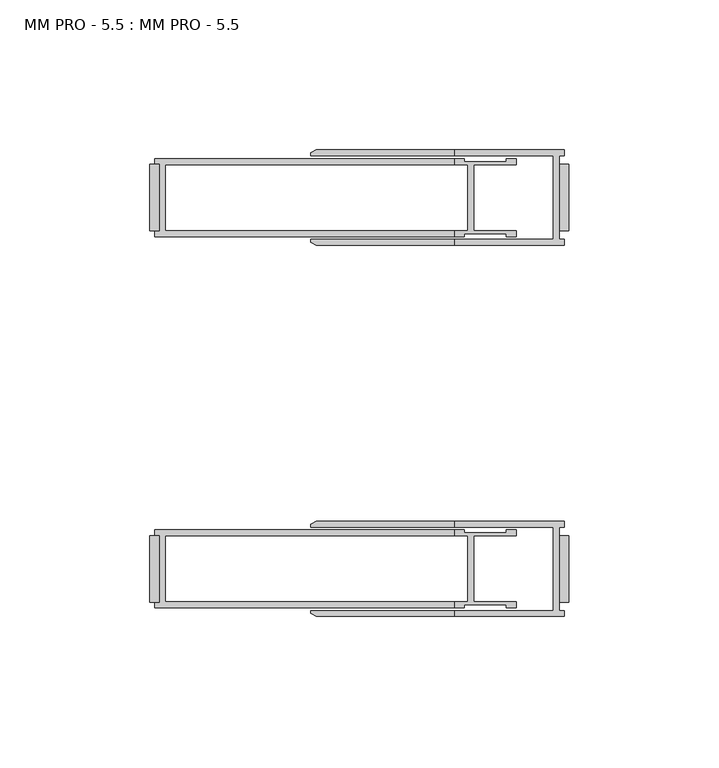
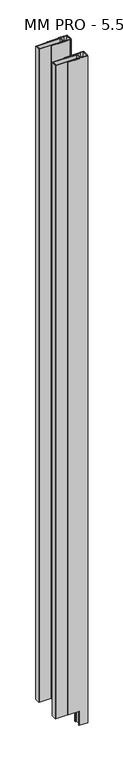
"""IFC4 building model written with IfcOpenShell, lengths in millimetres: proxy geometry, MM PRO - 5.5 : MM PRO - 5.5."""

from ifc_helpers import new_model, si_unit, frame, origin, origin_with_axes, place, context, project, spatial, polyline, outline, extrude, faceted_brep, source, transform, mapped, element, save


def mm_pro_5_5_mm_pro_5_5_e2575cb1(model_context):
    return source(origin(), model_context, "Body", "SolidModel", [
        faceted_brep([(-5.159375, 75.803125, 3048.0), (-5.159375, 48.021875, 3048.0), (-38.1, 48.021875, 3048.0), (-38.1, 46.0375, 3048.0), (-1.5875, 46.0375, 3048.0), (-1.5875, 48.021875, 3048.0), (-3.175, 48.021875, 3048.0), (-3.175, 75.803125, 3048.0), (-1.5875, 75.803125, 3048.0), (-1.5875, 77.7875, 3048.0), (-38.1, 77.7875, 3048.0), (-38.1, 75.803125, 3048.0), (-1.5875, 77.7875, 0.0), (-1.5875, 75.803125, 0.0), (-3.175, 75.803125, 0.0), (-3.175, 48.021875, 0.0), (-1.5875, 48.021875, 0.0), (-1.5875, 46.0375, 0.0), (-38.1, 46.0375, 0.0), (-38.1, 48.021875, 0.0), (-5.159375, 48.021875, 0.0), (-5.159375, 75.803125, 0.0), (-38.1, 75.803125, 0.0), (-38.1, 77.7875, 0.0), (-84.3041371, 77.7875, 63.5), (-86.0226562, 76.7953125, 63.5), (-86.0226562, 76.7953125, 3047.20625), (-84.3041371, 77.7875, 3047.20625), (-86.0226562, 75.803125, 63.5), (-86.0226562, 75.803125, 3047.20625), (-38.1, 75.803125, 3047.20625), (-38.1, 75.803125, 63.5), (-38.1, 48.021875, 63.5), (-86.0226562, 48.021875, 63.5), (-86.0226562, 48.021875, 3047.20625), (-38.1, 48.021875, 3047.20625), (-86.0226562, 47.0296875, 63.5), (-86.0226562, 47.0296875, 3047.20625), (-84.3041371, 46.0375, 63.5), (-84.3041371, 46.0375, 3047.20625), (-38.1, 46.0375, 3047.20625), (-38.1, 46.0375, 63.5), (-38.1, 77.7875, 63.5), (-38.1, 77.7875, 3047.20625)], [[[0, 1, 2, 3, 4, 5, 6, 7, 8, 9, 10, 11]], [[12, 13, 14, 15, 16, 17, 18, 19, 20, 21, 22, 23]], [[24, 25, 26, 27]], [[25, 28, 29, 26]], [[21, 0, 11, 30, 29, 28, 31, 22]], [[1, 0, 21, 20]], [[1, 20, 19, 32, 33, 34, 35, 2]], [[33, 36, 37, 34]], [[36, 38, 39, 37]], [[17, 4, 3, 40, 39, 38, 41, 18]], [[5, 4, 17, 16]], [[6, 5, 16, 15]], [[7, 6, 15, 14]], [[8, 7, 14, 13]], [[9, 8, 13, 12]], [[9, 12, 23, 42, 24, 27, 43, 10]], [[41, 32, 19, 18]], [[31, 42, 23, 22]], [[32, 41, 38, 36, 33]], [[42, 31, 28, 25, 24]], [[40, 35, 34, 37, 39]], [[30, 43, 27, 26, 29]], [[35, 40, 3, 2]], [[43, 30, 11, 10]]]),
        faceted_brep([(-5.159375, -48.021875, 3048.0), (-5.159375, -75.803125, 3048.0), (-38.1, -75.803125, 3048.0), (-38.1, -77.7875, 3048.0), (-1.5875, -77.7875, 3048.0), (-1.5875, -75.803125, 3048.0), (-3.175, -75.803125, 3048.0), (-3.175, -48.021875, 3048.0), (-1.5875, -48.021875, 3048.0), (-1.5875, -46.0375, 3048.0), (-38.1, -46.0375, 3048.0), (-38.1, -48.021875, 3048.0), (-1.5875, -46.0375, 0.0), (-1.5875, -48.021875, 0.0), (-3.175, -48.021875, 0.0), (-3.175, -75.803125, 0.0), (-1.5875, -75.803125, 0.0), (-1.5875, -77.7875, 0.0), (-38.1, -77.7875, 0.0), (-38.1, -75.803125, 0.0), (-5.159375, -75.803125, 0.0), (-5.159375, -48.021875, 0.0), (-38.1, -48.021875, 0.0), (-38.1, -46.0375, 0.0), (-84.3041371, -46.0375, 63.5), (-86.0226562, -47.0296875, 63.5), (-86.0226562, -47.0296875, 3047.20625), (-84.3041371, -46.0375, 3047.20625), (-86.0226562, -48.021875, 63.5), (-86.0226562, -48.021875, 3047.20625), (-38.1, -48.021875, 3047.20625), (-38.1, -48.021875, 63.5), (-38.1, -75.803125, 63.5), (-86.0226562, -75.803125, 63.5), (-86.0226562, -75.803125, 3047.20625), (-38.1, -75.803125, 3047.20625), (-86.0226562, -76.7953125, 63.5), (-86.0226562, -76.7953125, 3047.20625), (-84.3041371, -77.7875, 63.5), (-84.3041371, -77.7875, 3047.20625), (-38.1, -77.7875, 3047.20625), (-38.1, -77.7875, 63.5), (-38.1, -46.0375, 63.5), (-38.1, -46.0375, 3047.20625)], [[[0, 1, 2, 3, 4, 5, 6, 7, 8, 9, 10, 11]], [[12, 13, 14, 15, 16, 17, 18, 19, 20, 21, 22, 23]], [[24, 25, 26, 27]], [[25, 28, 29, 26]], [[21, 0, 11, 30, 29, 28, 31, 22]], [[1, 0, 21, 20]], [[1, 20, 19, 32, 33, 34, 35, 2]], [[33, 36, 37, 34]], [[36, 38, 39, 37]], [[17, 4, 3, 40, 39, 38, 41, 18]], [[5, 4, 17, 16]], [[6, 5, 16, 15]], [[7, 6, 15, 14]], [[8, 7, 14, 13]], [[9, 8, 13, 12]], [[9, 12, 23, 42, 24, 27, 43, 10]], [[41, 32, 19, 18]], [[31, 42, 23, 22]], [[32, 41, 38, 36, 33]], [[42, 31, 28, 25, 24]], [[40, 35, 34, 37, 39]], [[30, 43, 27, 26, 29]], [[35, 40, 3, 2]], [[43, 30, 11, 10]]]),
        extrude(outline(polyline([(-3.175, 50.8), (-3.175, 73.025), (0.0, 73.025), (0.0, 50.8), (-3.175, 50.8)])), origin_with_axes(), (0.0, 0.0, 1.0), 3048.0),
        extrude(outline(polyline([(-3.175, -50.8), (0.0, -50.8), (0.0, -73.025), (-3.175, -73.025), (-3.175, -50.8)])), origin_with_axes(), (0.0, 0.0, 1.0), 3048.0),
        extrude(outline(polyline([(-139.7, 50.8), (-139.7, 73.025), (-136.525, 73.025), (-136.525, 50.8), (-139.7, 50.8)])), frame((0.0, 0.0, 63.5), z_axis=(0.0, 0.0, 1.0), x_axis=(1.0, 0.0, 0.0)), (0.0, 0.0, 1.0), 2983.70625),
        extrude(outline(polyline([(-136.525, -50.8), (-136.525, -73.025), (-139.7, -73.025), (-139.7, -50.8), (-136.525, -50.8)])), frame((0.0, 0.0, 63.5), z_axis=(0.0, 0.0, 1.0), x_axis=(1.0, 0.0, 0.0)), (0.0, 0.0, 1.0), 2983.70625),
        faceted_brep([(-34.8257812, 48.9148437, 3048.0), (-34.8257812, 49.9070312, 3048.0), (-20.8359375, 49.9070312, 3048.0), (-20.8359375, 48.9148437, 3048.0), (-17.4625, 48.9148437, 3048.0), (-17.4625, 50.8992187, 3048.0), (-31.6507812, 50.8992187, 3048.0), (-31.6507812, 72.9257812, 3048.0), (-17.4625, 72.9257812, 3048.0), (-17.4625, 74.9101562, 3048.0), (-20.8359375, 74.9101562, 3048.0), (-20.8359375, 73.9179687, 3048.0), (-34.8257812, 73.9179687, 3048.0), (-34.8257812, 74.9101562, 3048.0), (-38.1, 74.9101562, 3048.0), (-38.1, 72.9257812, 3048.0), (-33.6351562, 72.9257812, 3048.0), (-33.6351562, 50.8992187, 3048.0), (-38.1, 50.8992187, 3048.0), (-38.1, 48.9148437, 3048.0), (-34.8257812, 74.9101562, 0.0), (-34.8257812, 73.9179687, 0.0), (-20.8359375, 73.9179687, 0.0), (-20.8359375, 74.9101562, 0.0), (-17.4625, 74.9101562, 0.0), (-17.4625, 72.9257812, 0.0), (-31.6507812, 72.9257812, 0.0), (-31.6507812, 50.8992187, 0.0), (-17.4625, 50.8992187, 0.0), (-17.4625, 48.9148437, 0.0), (-20.8359375, 48.9148437, 0.0), (-20.8359375, 49.9070312, 0.0), (-34.8257812, 49.9070312, 0.0), (-34.8257812, 48.9148437, 0.0), (-38.1, 48.9148437, 0.0), (-38.1, 50.8992187, 0.0), (-33.6351562, 50.8992187, 0.0), (-33.6351562, 72.9257812, 0.0), (-38.1, 72.9257812, 0.0), (-38.1, 74.9101562, 0.0), (-138.1125, 48.9148437, 3047.20625), (-138.1125, 50.8706437, 3047.20625), (-138.1125, 50.8706437, 63.5), (-138.1125, 48.9148437, 63.5), (-38.1, 48.9148437, 3047.20625), (-38.1, 48.9148437, 63.5), (-38.1, 74.9101562, 63.5), (-138.1125, 74.9101562, 63.5), (-138.1125, 74.9101562, 3047.20625), (-38.1, 74.9101562, 3047.20625), (-138.1125, 72.9543562, 3047.20625), (-138.1125, 72.9543562, 63.5), (-136.525, 72.9543562, 3047.20625), (-136.525, 72.9543562, 63.5), (-136.525, 50.8706437, 3047.20625), (-136.525, 50.8706437, 63.5), (-38.1, 72.9257812, 3047.20625), (-134.540625, 72.9257812, 3047.20625), (-134.540625, 72.9257812, 63.5), (-38.1, 72.9257812, 63.5), (-38.1, 50.8992187, 63.5), (-134.540625, 50.8992187, 63.5), (-134.540625, 50.8992187, 3047.20625), (-38.1, 50.8992187, 3047.20625)], [[[0, 1, 2, 3, 4, 5, 6, 7, 8, 9, 10, 11, 12, 13, 14, 15, 16, 17, 18, 19]], [[20, 21, 22, 23, 24, 25, 26, 27, 28, 29, 30, 31, 32, 33, 34, 35, 36, 37, 38, 39]], [[40, 41, 42, 43]], [[33, 0, 19, 44, 40, 43, 45, 34]], [[1, 0, 33, 32]], [[2, 1, 32, 31]], [[3, 2, 31, 30]], [[4, 3, 30, 29]], [[5, 4, 29, 28]], [[6, 5, 28, 27]], [[7, 6, 27, 26]], [[8, 7, 26, 25]], [[9, 8, 25, 24]], [[10, 9, 24, 23]], [[11, 10, 23, 22]], [[12, 11, 22, 21]], [[13, 12, 21, 20]], [[13, 20, 39, 46, 47, 48, 49, 14]], [[50, 48, 47, 51]], [[52, 50, 51, 53]], [[54, 52, 53, 55]], [[41, 54, 55, 42]], [[37, 16, 15, 56, 57, 58, 59, 38]], [[17, 16, 37, 36]], [[17, 36, 35, 60, 61, 62, 63, 18]], [[57, 62, 61, 58]], [[56, 49, 48, 50, 52, 54, 41, 40, 44, 63, 62, 57]], [[49, 56, 15, 14]], [[63, 44, 19, 18]], [[59, 46, 39, 38]], [[45, 60, 35, 34]], [[46, 59, 58, 61, 60, 45, 43, 42, 55, 53, 51, 47]]]),
        faceted_brep([(-34.8257812, -74.9101563, 3048.0), (-34.8257812, -73.9179688, 3048.0), (-20.8359375, -73.9179688, 3048.0), (-20.8359375, -74.9101563, 3048.0), (-17.4625, -74.9101563, 3048.0), (-17.4625, -72.9257813, 3048.0), (-31.6507812, -72.9257813, 3048.0), (-31.6507812, -50.8992188, 3048.0), (-17.4625, -50.8992188, 3048.0), (-17.4625, -48.9148438, 3048.0), (-20.8359375, -48.9148438, 3048.0), (-20.8359375, -49.9070313, 3048.0), (-34.8257812, -49.9070313, 3048.0), (-34.8257812, -48.9148438, 3048.0), (-38.1, -48.9148438, 3048.0), (-38.1, -50.8992188, 3048.0), (-33.6351562, -50.8992188, 3048.0), (-33.6351562, -72.9257813, 3048.0), (-38.1, -72.9257813, 3048.0), (-38.1, -74.9101563, 3048.0), (-34.8257812, -48.9148438, 0.0), (-34.8257812, -49.9070313, 0.0), (-20.8359375, -49.9070313, 0.0), (-20.8359375, -48.9148438, 0.0), (-17.4625, -48.9148438, 0.0), (-17.4625, -50.8992188, 0.0), (-31.6507812, -50.8992188, 0.0), (-31.6507812, -72.9257813, 0.0), (-17.4625, -72.9257813, 0.0), (-17.4625, -74.9101563, 0.0), (-20.8359375, -74.9101563, 0.0), (-20.8359375, -73.9179688, 0.0), (-34.8257812, -73.9179688, 0.0), (-34.8257812, -74.9101563, 0.0), (-38.1, -74.9101563, 0.0), (-38.1, -72.9257813, 0.0), (-33.6351562, -72.9257813, 0.0), (-33.6351562, -50.8992188, 0.0), (-38.1, -50.8992188, 0.0), (-38.1, -48.9148438, 0.0), (-138.1125, -74.9101563, 3047.20625), (-138.1125, -72.9543563, 3047.20625), (-138.1125, -72.9543563, 63.5), (-138.1125, -74.9101563, 63.5), (-38.1, -74.9101563, 3047.20625), (-38.1, -74.9101563, 63.5), (-38.1, -48.9148438, 63.5), (-138.1125, -48.9148438, 63.5), (-138.1125, -48.9148438, 3047.20625), (-38.1, -48.9148438, 3047.20625), (-138.1125, -50.8706438, 3047.20625), (-138.1125, -50.8706438, 63.5), (-136.525, -50.8706438, 3047.20625), (-136.525, -50.8706438, 63.5), (-136.525, -72.9543563, 3047.20625), (-136.525, -72.9543563, 63.5), (-38.1, -72.9257813, 63.5), (-134.540625, -72.9257813, 63.5), (-134.540625, -72.9257813, 3047.20625), (-38.1, -72.9257813, 3047.20625), (-134.540625, -50.8992188, 3047.20625), (-134.540625, -50.8992188, 63.5), (-38.1, -50.8992188, 3047.20625), (-38.1, -50.8992188, 63.5)], [[[0, 1, 2, 3, 4, 5, 6, 7, 8, 9, 10, 11, 12, 13, 14, 15, 16, 17, 18, 19]], [[20, 21, 22, 23, 24, 25, 26, 27, 28, 29, 30, 31, 32, 33, 34, 35, 36, 37, 38, 39]], [[40, 41, 42, 43]], [[33, 0, 19, 44, 40, 43, 45, 34]], [[1, 0, 33, 32]], [[2, 1, 32, 31]], [[3, 2, 31, 30]], [[4, 3, 30, 29]], [[5, 4, 29, 28]], [[6, 5, 28, 27]], [[7, 6, 27, 26]], [[8, 7, 26, 25]], [[9, 8, 25, 24]], [[10, 9, 24, 23]], [[11, 10, 23, 22]], [[12, 11, 22, 21]], [[13, 12, 21, 20]], [[13, 20, 39, 46, 47, 48, 49, 14]], [[50, 48, 47, 51]], [[52, 50, 51, 53]], [[54, 52, 53, 55]], [[41, 54, 55, 42]], [[17, 36, 35, 56, 57, 58, 59, 18]], [[60, 58, 57, 61]], [[37, 16, 15, 62, 60, 61, 63, 38]], [[17, 16, 37, 36]], [[44, 59, 58, 60, 62, 49, 48, 50, 52, 54, 41, 40]], [[59, 44, 19, 18]], [[49, 62, 15, 14]], [[45, 56, 35, 34]], [[63, 46, 39, 38]], [[56, 45, 43, 42, 55, 53, 51, 47, 46, 63, 61, 57]]]),
    ])


if __name__ == "__main__":
    model = new_model("IFC4")
    model_context = context("Model", 3, world=origin())
    ifc_project = project(units=[si_unit("LENGTHUNIT", "METRE", prefix="MILLI")], contexts=[model_context])
    site = spatial("IfcSite", under=ifc_project)
    building = spatial("IfcBuilding", under=site)
    placement = place(None, origin())
    mm_pro_5_5_mm_pro_5_5_shape = mm_pro_5_5_mm_pro_5_5_e2575cb1(model_context)
    element("IfcBuildingElementProxy", 1, Name="MM PRO - 5.5 : MM PRO - 5.5", ObjectType="MM PRO - 5.5 : MM PRO - 5.5", at=placement, inside=building, context=model_context, shape_type="MappedRepresentation", body=[
        mapped(mm_pro_5_5_mm_pro_5_5_shape, transform((0.0, 0.0, 0.0), x_axis=(1.0, 0.0, 0.0), y_axis=(0.0, 1.0, 0.0), z_axis=(0.0, 0.0, 1.0))),
    ])
    save(model, "model.ifc")
